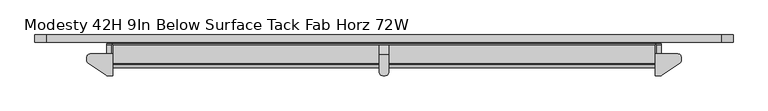
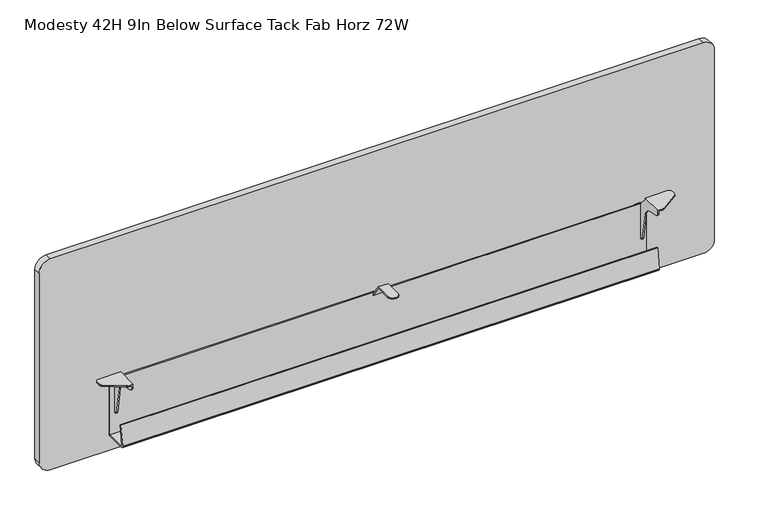
"""IFC4 building model written with IfcOpenShell, lengths in millimetres: furniture geometry, Modesty 42H 9In Below Surface Tack Fab Horz 72W."""

from ifc_helpers import new_model, si_unit, point, frame, frame_2d, origin, place, context, project, spatial, polyline, circle_curve, trimmed, segment, composite_curve, outline, extrude, faceted_brep, source, transform, mapped, element, save


def modesty_42h_9in_below_surface_tack_fab_horz_72w_06fcc4a8(model_context):
    return source(origin(), model_context, "Body", "SolidModel", [
        faceted_brep([(1659.3570723, -28.1940001, 686.8920118), (1602.588081, -28.1940001, 686.8920118), (1602.588081, -84.8360008, 686.8920118), (1613.6913731, -84.8360008, 686.8920118), (1615.5360279, -84.6556703, 686.8920118), (1617.3108288, -84.1215187, 686.8920118), (1618.948574, -83.2537619, 686.8920118), (1664.6142732, -53.0282948, 686.8920118), (1666.8968646, -50.905943, 686.8920118), (1668.3721197, -48.1603598, 686.8920118), (1668.8820723, -45.0855338, 686.8920118), (1668.8820723, -37.7190004, 686.8920118), (1667.6059692, -32.9564998, 686.8920118), (1664.1195723, -29.470108, 686.8920118), (1602.588081, -84.8360008, 679.2605736), (1605.636069, -84.8360008, 679.2605736), (1605.636069, -84.8360008, 683.8440147), (1613.6913731, -84.8360008, 683.8440147), (1605.636069, 0.0, 561.6700404), (1592.8090812, 0.0, 561.6700404), (1588.0465812, 0.0, 562.9461617), (1584.5601843, 0.0, 566.4325404), (1583.2840812, 0.0, 571.1950404), (1583.2840812, 0.0, 647.3950041), (1584.5601843, 0.0, 652.1575041), (1588.0465812, 0.0, 655.6439192), (1592.8090812, 0.0, 656.9200041), (1605.636069, 0.0, 656.9200041), (1605.636069, -28.1940001, 683.8440147), (1659.3570723, -28.1940001, 683.8440147), (1664.1195723, -29.470108, 683.8440147), (1667.6059692, -32.9564998, 683.8440147), (1668.8820723, -37.7190004, 683.8440147), (1668.8820723, -45.0855338, 683.8440147), (1668.3721197, -48.1603598, 683.8440147), (1666.8968646, -50.905943, 683.8440147), (1664.6142732, -53.0282948, 683.8440147), (1618.948574, -83.2537619, 683.8440147), (1617.3108288, -84.1215187, 683.8440147), (1615.5360279, -84.6556703, 683.8440147), (1605.636069, -83.485134, 673.5608488), (1605.636069, -79.719916, 669.0736227), (1605.636069, -74.3413335, 666.7535608), (1605.636069, -48.1471565, 662.1348021), (1605.636069, -38.6002931, 658.342083), (1605.636069, -31.336431, 651.0782095), (1605.636069, -27.5437042, 641.5313358), (1605.636069, -14.3872464, 566.9173582), (1605.636069, -13.2271995, 564.2280965), (1605.636069, -10.9835922, 562.3454716), (1605.636069, -8.1337173, 561.6700404), (1605.636069, -5.0799997, 656.9200041), (1605.636069, -28.1940001, 681.8120167), (1602.588081, -28.1940001, 681.8120167), (1602.588081, -5.0799997, 656.9200041), (1592.8090812, -3.0479994, 656.9200041), (1602.588081, -3.0479994, 656.9200041), (1602.588081, -79.719916, 669.0736227), (1602.588081, -74.3413335, 666.7535608), (1602.588081, -83.485134, 673.5608488), (1602.588081, -8.1337173, 561.6700404), (1602.588081, -3.0479994, 561.6700404), (1592.8090812, -3.0479994, 561.6700404), (1602.588081, -10.9835922, 562.3454716), (1602.588081, -13.2271995, 564.2280965), (1602.588081, -14.3872464, 566.9173582), (1602.588081, -27.5437042, 641.5313358), (1602.588081, -31.336431, 651.0782095), (1602.588081, -38.6002931, 658.342083), (1602.588081, -48.1471565, 662.1348021), (1588.0465812, -3.0479994, 655.6439192), (1584.5601843, -3.0479994, 652.1575041), (1583.2840812, -3.0479994, 647.3950041), (1583.2840812, -3.0479994, 571.1950404), (1584.5601843, -3.0479994, 566.4325404), (1588.0465812, -3.0479994, 562.9461617)], [[[0, 1, 2, 3, 4, 5, 6, 7, 8, 9, 10, 11, 12, 13]], [[3, 2, 14, 15, 16, 17]], [[18, 19, 20, 21, 22, 23, 24, 25, 26, 27]], [[28, 29, 30, 31, 32, 33, 34, 35, 36, 37, 38, 39, 17, 16]], [[16, 15, 40, 41, 42, 43, 44, 45, 46, 47, 48, 49, 50, 18, 27, 51, 52, 28]], [[29, 28, 52, 53, 1, 0]], [[13, 30, 29, 0]], [[12, 31, 30, 13]], [[11, 32, 31, 12]], [[10, 33, 32, 11]], [[9, 34, 33, 10]], [[8, 35, 34, 9]], [[7, 36, 35, 8]], [[6, 37, 36, 7]], [[5, 38, 37, 6]], [[4, 39, 38, 5]], [[3, 17, 39, 4]], [[51, 54, 53, 52]], [[27, 26, 55, 56, 54, 51]], [[41, 57, 58, 42]], [[40, 59, 57, 41]], [[15, 14, 59, 40]], [[50, 60, 61, 62, 19, 18]], [[49, 63, 60, 50]], [[48, 64, 63, 49]], [[47, 65, 64, 48]], [[46, 66, 65, 47]], [[45, 67, 66, 46]], [[44, 68, 67, 45]], [[43, 69, 68, 44]], [[42, 58, 69, 43]], [[61, 60, 63, 64, 65, 66, 67, 68, 69, 58, 57, 59, 14, 2, 1, 53, 54, 56]], [[56, 55, 70, 71, 72, 73, 74, 75, 62, 61]], [[70, 55, 26, 25]], [[25, 24, 71, 70]], [[24, 23, 72, 71]], [[23, 22, 73, 72]], [[22, 21, 74, 73]], [[21, 20, 75, 74]], [[20, 19, 62, 75]]]),
        faceted_brep([(166.4078114, -28.1940001, 686.8920118), (161.6453114, -29.470108, 686.8920118), (158.1589145, -32.9564998, 686.8920118), (156.8828114, -37.7190004, 686.8920118), (156.8828114, -45.0855338, 686.8920118), (157.3927639, -48.1603598, 686.8920118), (158.8680191, -50.905943, 686.8920118), (161.1506105, -53.0282948, 686.8920118), (206.8163097, -83.2537619, 686.8920118), (208.4540549, -84.1215187, 686.8920118), (210.2288557, -84.6556703, 686.8920118), (212.0735106, -84.8360008, 686.8920118), (223.1768027, -84.8360008, 686.8920118), (223.1768027, -28.1940001, 686.8920118), (212.0735106, -84.8360008, 683.8440147), (220.1288147, -84.8360008, 683.8440147), (220.1288147, -84.8360008, 679.2605736), (223.1768027, -84.8360008, 679.2605736), (220.1288147, 0.0, 561.6700404), (220.1288147, 0.0, 656.9200041), (232.9558024, 0.0, 656.9200041), (237.7183024, 0.0, 655.6439192), (241.2046994, 0.0, 652.1575041), (242.4808024, 0.0, 647.3950041), (242.4808024, 0.0, 571.1950404), (241.2046994, 0.0, 566.4325404), (237.7183024, 0.0, 562.9461617), (232.9558024, 0.0, 561.6700404), (220.1288147, -28.1940001, 683.8440147), (210.2288557, -84.6556703, 683.8440147), (208.4540549, -84.1215187, 683.8440147), (206.8163097, -83.2537619, 683.8440147), (161.1506105, -53.0282948, 683.8440147), (158.8680191, -50.905943, 683.8440147), (157.3927639, -48.1603598, 683.8440147), (156.8828114, -45.0855338, 683.8440147), (156.8828114, -37.7190004, 683.8440147), (158.1589145, -32.9564998, 683.8440147), (161.6453114, -29.470108, 683.8440147), (166.4078114, -28.1940001, 683.8440147), (220.1288147, -28.1940001, 681.8120167), (220.1288147, -5.0799997, 656.9200041), (220.1288147, -8.1337173, 561.6700404), (220.1288147, -10.9835922, 562.3454716), (220.1288147, -13.2271995, 564.2280965), (220.1288147, -14.3872464, 566.9173582), (220.1288147, -27.5437042, 641.5313358), (220.1288147, -31.336431, 651.0782095), (220.1288147, -38.6002931, 658.342083), (220.1288147, -48.1471565, 662.1348021), (220.1288147, -74.3413335, 666.7535608), (220.1288147, -79.719916, 669.0736227), (220.1288147, -83.485134, 673.5608488), (223.1768027, -28.1940001, 681.8120167), (223.1768027, -5.0799997, 656.9200041), (223.1768027, -3.0479994, 656.9200041), (232.9558024, -3.0479994, 656.9200041), (223.1768027, -74.3413335, 666.7535608), (223.1768027, -79.719916, 669.0736227), (223.1768027, -83.485134, 673.5608488), (232.9558024, -3.0479994, 561.6700404), (223.1768027, -3.0479994, 561.6700404), (223.1768027, -8.1337173, 561.6700404), (223.1768027, -10.9835922, 562.3454716), (223.1768027, -13.2271995, 564.2280965), (223.1768027, -14.3872464, 566.9173582), (223.1768027, -27.5437042, 641.5313358), (223.1768027, -31.336431, 651.0782095), (223.1768027, -38.6002931, 658.342083), (223.1768027, -48.1471565, 662.1348021), (237.7183024, -3.0479994, 562.9461617), (241.2046994, -3.0479994, 566.4325404), (242.4808024, -3.0479994, 571.1950404), (242.4808024, -3.0479994, 647.3950041), (241.2046994, -3.0479994, 652.1575041), (237.7183024, -3.0479994, 655.6439192)], [[[0, 1, 2, 3, 4, 5, 6, 7, 8, 9, 10, 11, 12, 13]], [[11, 14, 15, 16, 17, 12]], [[18, 19, 20, 21, 22, 23, 24, 25, 26, 27]], [[28, 15, 14, 29, 30, 31, 32, 33, 34, 35, 36, 37, 38, 39]], [[15, 28, 40, 41, 19, 18, 42, 43, 44, 45, 46, 47, 48, 49, 50, 51, 52, 16]], [[39, 0, 13, 53, 40, 28]], [[1, 0, 39, 38]], [[2, 1, 38, 37]], [[3, 2, 37, 36]], [[4, 3, 36, 35]], [[5, 4, 35, 34]], [[6, 5, 34, 33]], [[7, 6, 33, 32]], [[8, 7, 32, 31]], [[9, 8, 31, 30]], [[10, 9, 30, 29]], [[11, 10, 29, 14]], [[41, 40, 53, 54]], [[19, 41, 54, 55, 56, 20]], [[51, 50, 57, 58]], [[52, 51, 58, 59]], [[16, 52, 59, 17]], [[42, 18, 27, 60, 61, 62]], [[43, 42, 62, 63]], [[44, 43, 63, 64]], [[45, 44, 64, 65]], [[46, 45, 65, 66]], [[47, 46, 66, 67]], [[48, 47, 67, 68]], [[49, 48, 68, 69]], [[50, 49, 69, 57]], [[61, 55, 54, 53, 13, 12, 17, 59, 58, 57, 69, 68, 67, 66, 65, 64, 63, 62]], [[55, 61, 60, 70, 71, 72, 73, 74, 75, 56]], [[75, 21, 20, 56]], [[21, 75, 74, 22]], [[22, 74, 73, 23]], [[23, 73, 72, 24]], [[24, 72, 71, 25]], [[25, 71, 70, 26]], [[26, 70, 60, 27]]]),
        faceted_brep([(925.576, -30.7450483, 683.8440147), (925.576, -3.0490599, 644.5244466), (925.576, -3.0490599, 570.2298918), (925.576, 0.0, 570.2298918), (925.576, 0.0, 644.522941), (925.576, -29.6671998, 686.8920118), (925.576, -75.4379103, 686.8920118), (925.576, -75.4379103, 683.8440147), (900.176, -29.6671998, 686.8920118), (900.176, 0.0, 644.522941), (900.176, 0.0, 570.2298014), (900.176, -3.0490599, 570.2298014), (900.176, -3.0490599, 644.5244466), (900.176, -30.7450483, 683.8440147), (900.176, -75.4380007, 683.8440147), (900.176, -75.4380007, 686.8920118), (924.2998909, -80.2005007, 683.8440147), (920.8134758, -83.6868931, 683.8440147), (916.0509758, -84.9630007, 683.8440147), (909.701, -84.9630007, 683.8440147), (904.9385, -83.6868931, 683.8440147), (901.4520849, -80.2005007, 683.8440147), (901.4520849, -3.0490599, 565.4673014), (904.9385, -3.0490599, 561.9809226), (909.701, -3.0490599, 560.7048014), (916.0509758, -3.0490599, 560.7048014), (920.8134758, -3.0490599, 561.9809226), (924.2998909, -3.0490599, 565.4673014), (909.701, 0.0, 560.7048014), (916.0509758, 0.0, 560.7048014), (924.2998909, 0.0, 565.4673014), (920.8134758, 0.0, 561.9809226), (904.9385, 0.0, 561.9809226), (901.4520849, 0.0, 565.4673014), (901.4520849, -80.2005007, 686.8920118), (904.9385, -83.6868931, 686.8920118), (909.701, -84.9630007, 686.8920118), (916.0509758, -84.9630007, 686.8920118), (920.8134758, -83.6868931, 686.8920118), (924.2998909, -80.2005007, 686.8920118)], [[[0, 1, 2, 3, 4, 5, 6, 7]], [[8, 9, 10, 11, 12, 13, 14, 15]], [[13, 0, 7, 16, 17, 18, 19, 20, 21, 14]], [[1, 0, 13, 12]], [[1, 12, 11, 22, 23, 24, 25, 26, 27, 2]], [[25, 24, 28, 29]], [[9, 4, 3, 30, 31, 29, 28, 32, 33, 10]], [[5, 4, 9, 8]], [[5, 8, 15, 34, 35, 36, 37, 38, 39, 6]], [[19, 18, 37, 36]], [[21, 34, 15, 14]], [[35, 20, 19, 36]], [[34, 21, 20, 35]], [[17, 38, 37, 18]], [[39, 16, 7, 6]], [[38, 17, 16, 39]], [[23, 32, 28, 24]], [[32, 23, 22, 33]], [[33, 22, 11, 10]], [[27, 30, 3, 2]], [[30, 27, 26, 31]], [[31, 26, 25, 29]]]),
        extrude(outline(composite_curve([segment(polyline([(1042.4922, 1770.38), (1042.4922, 55.372)]), True, "CONTINUOUS"), segment(trimmed(circle_curve(frame_2d((1012.5202, 55.372)), 29.972), [point((1042.4922, 55.372))], [point((1012.5202, 25.4))], False, "CARTESIAN"), True, "CONTINUOUS"), segment(polyline([(1012.5202, 25.4), (487.2475282, 25.4)]), True, "CONTINUOUS"), segment(trimmed(circle_curve(frame_2d((487.2475282, 55.372)), 29.972), [point((487.2475282, 25.4))], [point((457.2755282, 55.372))], False, "CARTESIAN"), True, "CONTINUOUS"), segment(polyline([(457.2755282, 55.372), (457.2755282, 1770.38)]), True, "CONTINUOUS"), segment(trimmed(circle_curve(frame_2d((487.2475282, 1770.38)), 29.972), [point((457.2755282, 1770.38))], [point((487.2475282, 1800.352))], False, "CARTESIAN"), True, "CONTINUOUS"), segment(polyline([(487.2475282, 1800.352), (1012.5202, 1800.352)]), True, "CONTINUOUS"), segment(trimmed(circle_curve(frame_2d((1012.5202, 1770.38)), 29.972), [point((1012.5202, 1800.352))], [point((1042.4922, 1770.38))], False, "CARTESIAN"), True, "CONTINUOUS")], self_intersect=False)), frame((0.0, 0.0, 0.0), z_axis=(0.0, 1.0, 0.0), x_axis=(0.0, 0.0, 1.0)), (0.0, 0.0, 1.0), 19.05),
        extrude(outline(polyline([(-3.048, 657.6819489), (-3.048, 500.6337951), (-58.2252166, 500.6337951), (-61.6526328, 501.6382032), (-63.9957855, 504.3336782), (-64.5134184, 507.8675105), (-56.9965739, 561.3526543), (-53.8524707, 560.9107844), (-61.3693175, 507.4256407), (-61.1105011, 505.6587427), (-59.9389247, 504.3109689), (-58.2252166, 503.808783), (-6.2210553, 503.808783), (-6.2210553, 657.6819489), (-3.048, 657.6819489)])), frame((207.7525353, 0.0, 0.0), z_axis=(1.0, 0.0, 0.0), x_axis=(0.0, 1.0, 0.0)), (0.0, 0.0, 1.0), 1410.2587777),
    ])


if __name__ == "__main__":
    model = new_model("IFC4")
    model_context = context("Model", 3, world=origin())
    ifc_project = project(units=[si_unit("LENGTHUNIT", "METRE", prefix="MILLI")], contexts=[model_context])
    site = spatial("IfcSite", under=ifc_project)
    building = spatial("IfcBuilding", under=site)
    placement = place(None, origin())
    modesty_42h_9in_below_surface_tack_fab_horz_72w_shape = modesty_42h_9in_below_surface_tack_fab_horz_72w_06fcc4a8(model_context)
    element("IfcFurniture", 1, ObjectType="Modesty 42H 9In Below Surface Tack Fab Horz 72W", at=placement, inside=building, context=model_context, shape_type="MappedRepresentation", body=[
        mapped(modesty_42h_9in_below_surface_tack_fab_horz_72w_shape, transform((0.0, 0.0, 0.0), x_axis=(1.0, 0.0, 0.0), y_axis=(0.0, 1.0, 0.0), z_axis=(0.0, 0.0, 1.0))),
    ])
    save(model, "model.ifc")
